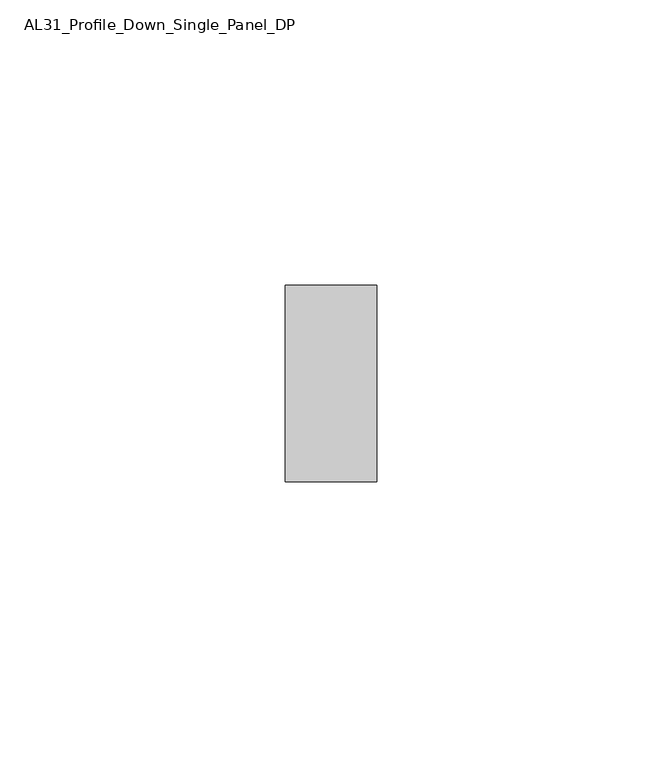
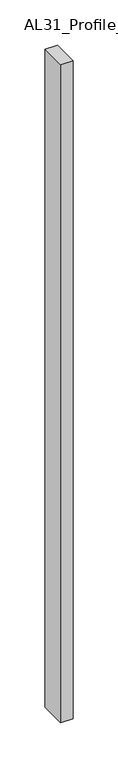
"""IFC4 building model written with IfcOpenShell, lengths in millimetres: member geometry, AL31_Profile_Down_Single_Panel_DP."""

from ifc_helpers import new_model, si_unit, frame, origin, place, context, project, spatial, polyline, outline, extrude, source, transform, mapped, element, save


def al31_profile_down_single_panel_dp_f36f830b(model_context):
    return source(origin(), model_context, "Body", "SweptSolid", [
        extrude(outline(polyline([(0.0, 37.107), (0.0, 2.607), (-16.0427074, 2.607), (-16.0427074, 37.107), (0.0, 37.107)])), frame((0.0, 0.0, -890.0), z_axis=(0.0, 0.0, 1.0), x_axis=(1.0, 0.0, 0.0)), (0.0, 0.0, 1.0), 890.0),
    ])


if __name__ == "__main__":
    model = new_model("IFC4")
    model_context = context("Model", 3, world=origin())
    ifc_project = project(units=[si_unit("LENGTHUNIT", "METRE", prefix="MILLI")], contexts=[model_context])
    site = spatial("IfcSite", under=ifc_project)
    building = spatial("IfcBuilding", under=site)
    placement = place(None, origin())
    al31_profile_down_single_panel_dp_shape = al31_profile_down_single_panel_dp_f36f830b(model_context)
    element("IfcMember", 1, ObjectType="AL31_Profile_Down_Single_Panel_DP", at=placement, inside=building, context=model_context, shape_type="MappedRepresentation", body=[
        mapped(al31_profile_down_single_panel_dp_shape, transform((0.0, 0.0, 0.0), x_axis=(1.0, 0.0, 0.0), y_axis=(0.0, 1.0, 0.0), z_axis=(0.0, 0.0, 1.0))),
    ])
    save(model, "model.ifc")
